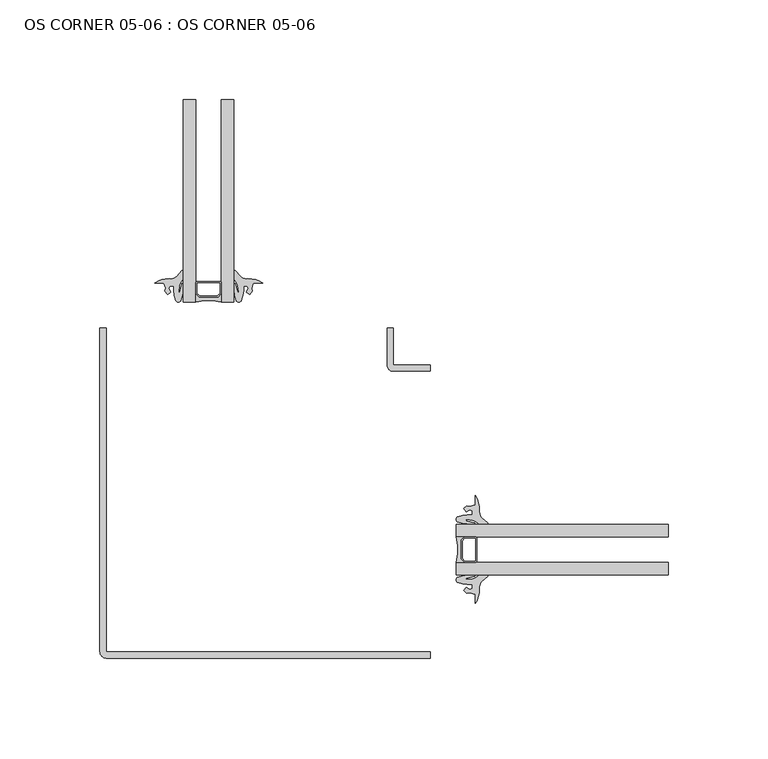
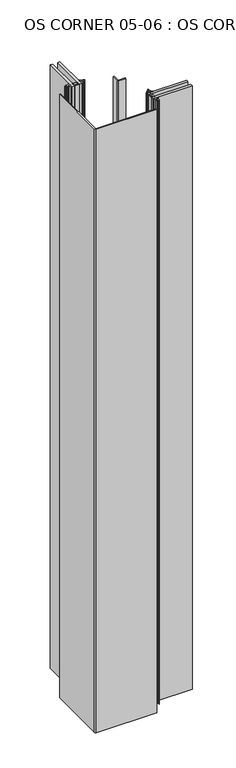
"""IFC4 building model written with IfcOpenShell, lengths in millimetres: plate geometry, OS CORNER 05-06 : OS CORNER 05-06."""

from ifc_helpers import new_model, si_unit, point, frame_2d, origin, origin_with_axes, place, context, project, spatial, polyline, circle_curve, trimmed, segment, composite_curve, outline, extrude, source, transform, mapped, element, save


def os_corner_05_06_os_corner_05_06_669ea06b(model_context):
    return source(origin(), model_context, "Body", "SweptSolid", [
        extrude(outline(composite_curve([segment(trimmed(circle_curve(frame_2d((-146.05, 111.5196104)), 25.796875), [point((-139.7, 136.5227354))], [point((-152.4, 136.5227354))], True, "CARTESIAN"), True, "CONTINUOUS"), segment(polyline([(-152.4, 136.5227354), (-152.4, 140.4871989), (-150.8167865, 138.9039854), (-141.2917865, 138.9039854), (-139.7, 140.4957718), (-139.7, 136.5227354)]), True, "CONTINUOUS")], self_intersect=False)), origin_with_axes(), (0.0, 0.0, 1.0), 1710.2666667),
        extrude(outline(composite_curve([segment(polyline([(-18.2562687, 6.35), (-22.2250187, 6.35)]), True, "CONTINUOUS"), segment(trimmed(circle_curve(frame_2d((-47.2281437, 12.7)), 25.796875), [point((-22.2250187, 6.35))], [point((-22.2250187, 19.05))], True, "CARTESIAN"), True, "CONTINUOUS"), segment(polyline([(-22.2250187, 19.05), (-18.2562687, 19.05), (-19.8437687, 17.4625), (-19.8437687, 7.9375), (-18.2562687, 6.35)]), True, "CONTINUOUS")], self_intersect=False)), origin_with_axes(), (0.0, 0.0, 1.0), 1710.2666667),
        extrude(outline(composite_curve([segment(trimmed(circle_curve(frame_2d((-151.6105365, 146.0477354)), 0.79375), [point((-152.4042865, 146.0477354))], [point((-151.6105365, 146.8414854))], False, "CARTESIAN"), True, "CONTINUOUS"), segment(polyline([(-151.6105365, 146.8414854), (-140.4980365, 146.8414854)]), True, "CONTINUOUS"), segment(trimmed(circle_curve(frame_2d((-140.4980365, 146.0477354)), 0.79375), [point((-140.4980365, 146.8414854))], [point((-139.7042865, 146.0477354))], False, "CARTESIAN"), True, "CONTINUOUS"), segment(polyline([(-139.7042865, 146.0477354), (-139.7042865, 140.4914854), (-141.2917865, 138.9039854), (-150.8167865, 138.9039854), (-152.4042865, 140.4914854), (-152.4042865, 146.0477354)]), True, "CONTINUOUS")], self_intersect=False), holes=[polyline([(-140.4980365, 146.0477354), (-151.6105365, 146.0477354), (-151.6105365, 140.8202674), (-150.4880045, 139.6977354), (-141.6205685, 139.6977354), (-140.4980365, 140.8202674), (-140.4980365, 146.0477354)])]), origin_with_axes(), (0.0, 0.0, 1.0), 1710.2666667),
        extrude(outline(composite_curve([segment(trimmed(circle_curve(frame_2d((-12.7000187, 18.25625)), 0.79375), [point((-12.7000187, 19.05))], [point((-11.9062687, 18.25625))], False, "CARTESIAN"), True, "CONTINUOUS"), segment(polyline([(-11.9062687, 18.25625), (-11.9062687, 7.14375)]), True, "CONTINUOUS"), segment(trimmed(circle_curve(frame_2d((-12.7000187, 7.14375)), 0.79375), [point((-11.9062687, 7.14375))], [point((-12.7000187, 6.35))], False, "CARTESIAN"), True, "CONTINUOUS"), segment(polyline([(-12.7000187, 6.35), (-18.2562687, 6.35), (-19.8437687, 7.9375), (-19.8437687, 17.4625), (-18.2562687, 19.05), (-12.7000187, 19.05)]), True, "CONTINUOUS")], self_intersect=False), holes=[polyline([(-12.7000187, 7.14375), (-12.7000187, 18.25625), (-17.9274867, 18.25625), (-19.0500187, 17.133718), (-19.0500187, 8.266282), (-17.9274867, 7.14375), (-12.7000187, 7.14375)])]), origin_with_axes(), (0.0, 0.0, 1.0), 1710.2666667),
        extrude(outline(polyline([(-152.4, 136.5227354), (-158.75, 136.5227354), (-158.75, 237.7249449), (-152.4, 237.7249449), (-152.4, 136.5227354)])), origin_with_axes(), (0.0, 0.0, 1.0), 1710.2666667),
        extrude(outline(polyline([(-133.35, 136.5227354), (-139.7, 136.5227354), (-139.7, 237.7249449), (-133.35, 237.7249449), (-133.35, 136.5227354)])), origin_with_axes(), (0.0, 0.0, 1.0), 1710.2666667),
        extrude(outline(polyline([(83.7072126, 0.0), (-22.2250187, 0.0), (-22.2250187, 6.35), (83.7072126, 6.35), (83.7072126, 0.0)])), origin_with_axes(), (0.0, 0.0, 1.0), 1710.2666667),
        extrude(outline(polyline([(83.7072126, 19.05), (-22.2250187, 19.05), (-22.2250187, 25.4), (83.7072126, 25.4), (83.7072126, 19.05)])), origin_with_axes(), (0.0, 0.0, 1.0), 1710.2666667),
        extrude(outline(composite_curve([segment(polyline([(-35.2700625, -38.4372519), (-35.2700625, -41.6122519), (-197.1951788, -41.6122519)]), True, "CONTINUOUS"), segment(trimmed(circle_curve(frame_2d((-197.1951788, -38.4372519)), 3.175), [point((-197.1951788, -41.6122519))], [point((-200.3701788, -38.4372519))], False, "CARTESIAN"), True, "CONTINUOUS"), segment(polyline([(-200.3701788, -38.4372519), (-200.3701788, 123.4878666), (-197.1951788, 123.4878666), (-197.1951788, -38.4372519), (-35.2700625, -38.4372519)]), True, "CONTINUOUS")], self_intersect=False)), origin_with_axes(), (0.0, 0.0, 1.0), 1710.2666667),
        extrude(outline(composite_curve([segment(polyline([(-56.8168617, 123.4906148), (-53.6418617, 123.4906148), (-53.6418617, 105.1137148), (-35.2649617, 105.1137148), (-35.2649617, 101.9387148), (-53.6418617, 101.9387148)]), True, "CONTINUOUS"), segment(trimmed(circle_curve(frame_2d((-53.6418617, 105.1137148)), 3.175), [point((-53.6418617, 101.9387148))], [point((-56.8168617, 105.1137148))], False, "CARTESIAN"), True, "CONTINUOUS"), segment(polyline([(-56.8168617, 105.1137148), (-56.8168617, 123.4906148)]), True, "CONTINUOUS")], self_intersect=False)), origin_with_axes(), (0.0, 0.0, 1.0), 1710.2666667),
        extrude(outline(composite_curve([segment(trimmed(circle_curve(frame_2d((-130.9386706, 137.9113635)), 1.3941395), [point((-129.6355397, 137.4159093))], [point((-132.2418015, 137.4159093))], False, "CARTESIAN"), True, "CONTINUOUS"), segment(trimmed(circle_curve(frame_2d((-114.202974, 143.9907124)), 19.1996701), [point((-132.2418015, 137.4159093))], [point((-133.319586, 142.2067622))], False, "CARTESIAN"), True, "CONTINUOUS"), segment(polyline([(-133.319586, 142.2067622), (-133.319586, 145.616601)]), True, "CONTINUOUS"), segment(trimmed(circle_curve(frame_2d((-132.9971007, 145.6049841)), 0.3226944), [point((-133.319586, 145.616601))], [point((-132.6808119, 145.6689613))], False, "CARTESIAN"), True, "CONTINUOUS"), segment(polyline([(-132.6808119, 145.6689613), (-131.5878094, 141.57256)]), True, "CONTINUOUS"), segment(trimmed(circle_curve(frame_2d((-131.3172872, 141.610831)), 0.2732159), [point((-131.5878094, 141.57256))], [point((-131.046765, 141.6491019))], True, "CARTESIAN"), True, "CONTINUOUS"), segment(polyline([(-131.046765, 141.6491019), (-131.4844143, 144.7426698)]), True, "CONTINUOUS"), segment(trimmed(circle_curve(frame_2d((-142.9224305, 141.6407796)), 11.8511576), [point((-131.4844143, 144.7426698))], [point((-131.9262445, 146.0604889))], True, "CARTESIAN"), True, "CONTINUOUS"), segment(polyline([(-131.9262445, 146.0604889), (-132.9042255, 147.5826037)]), True, "CONTINUOUS"), segment(trimmed(circle_curve(frame_2d((-131.2968213, 148.8149074)), 2.0254186), [point((-132.9042255, 147.5826037))], [point((-133.319586, 148.7112566))], False, "CARTESIAN"), True, "CONTINUOUS"), segment(polyline([(-133.319586, 148.7112566), (-133.3597113, 151.9938748)]), True, "CONTINUOUS"), segment(trimmed(circle_curve(frame_2d((-132.9628363, 151.9938748)), 0.396875), [point((-133.3597113, 151.9938748))], [point((-132.7009803, 152.2921049))], False, "CARTESIAN"), True, "CONTINUOUS"), segment(polyline([(-132.7009803, 152.2921049), (-130.2738754, 149.4742132)]), True, "CONTINUOUS"), segment(trimmed(circle_curve(frame_2d((-126.9982928, 152.9360526)), 4.765897), [point((-130.2738754, 149.4742132))], [point((-126.3728022, 148.2113796))], True, "CARTESIAN"), True, "CONTINUOUS"), segment(trimmed(circle_curve(frame_2d((-125.9988717, 136.0208422)), 12.196271), [point((-126.3728022, 148.2113796))], [point((-119.0795198, 146.0643275))], False, "CARTESIAN"), True, "CONTINUOUS"), segment(polyline([(-119.0795198, 146.0643275), (-122.1430145, 146.1852038), (-123.6910595, 146.0613966), (-124.5198454, 143.4574058), (-124.124512, 141.9757584), (-125.5487134, 140.304361), (-127.0967583, 141.6662404), (-126.1679313, 143.2757342), (-126.7252275, 144.6376136), (-128.5882352, 144.6376136), (-128.5882352, 142.2067622)]), True, "CONTINUOUS"), segment(trimmed(circle_curve(frame_2d((-146.0512118, 143.5143572)), 17.5118633), [point((-128.5882352, 142.2067622))], [point((-129.6355397, 137.4159093))], False, "CARTESIAN"), True, "CONTINUOUS")], self_intersect=False)), origin_with_axes(), (0.0, 0.0, 1.0), 1710.2666667),
        extrude(outline(composite_curve([segment(trimmed(circle_curve(frame_2d((-146.0487882, 143.5143572)), 17.5118633), [point((-162.4644603, 137.4159093))], [point((-163.5117648, 142.2067622))], False, "CARTESIAN"), True, "CONTINUOUS"), segment(polyline([(-163.5117648, 142.2067622), (-163.5117648, 144.6376136), (-165.3747725, 144.6376136), (-165.9320687, 143.2757342), (-165.0032417, 141.6662404), (-166.5512866, 140.304361), (-167.975488, 141.9757584), (-167.5801546, 143.4574058), (-168.4089405, 146.0613966), (-169.9569855, 146.1852038), (-173.0204802, 146.0643275)]), True, "CONTINUOUS"), segment(trimmed(circle_curve(frame_2d((-166.1011283, 136.0208422)), 12.196271), [point((-173.0204802, 146.0643275))], [point((-165.7271978, 148.2113796))], False, "CARTESIAN"), True, "CONTINUOUS"), segment(trimmed(circle_curve(frame_2d((-165.1017072, 152.9360526)), 4.765897), [point((-165.7271978, 148.2113796))], [point((-161.8261246, 149.4742132))], True, "CARTESIAN"), True, "CONTINUOUS"), segment(polyline([(-161.8261246, 149.4742132), (-159.3990197, 152.2921049)]), True, "CONTINUOUS"), segment(trimmed(circle_curve(frame_2d((-159.1371637, 151.9938748)), 0.396875), [point((-159.3990197, 152.2921049))], [point((-158.7402887, 151.9938748))], False, "CARTESIAN"), True, "CONTINUOUS"), segment(polyline([(-158.7402887, 151.9938748), (-158.780414, 148.7112566)]), True, "CONTINUOUS"), segment(trimmed(circle_curve(frame_2d((-160.8031787, 148.8149074)), 2.0254186), [point((-158.780414, 148.7112566))], [point((-159.1957745, 147.5826037))], False, "CARTESIAN"), True, "CONTINUOUS"), segment(polyline([(-159.1957745, 147.5826037), (-160.1737555, 146.0604889)]), True, "CONTINUOUS"), segment(trimmed(circle_curve(frame_2d((-149.1775695, 141.6407796)), 11.8511576), [point((-160.1737555, 146.0604889))], [point((-160.6155857, 144.7426698))], True, "CARTESIAN"), True, "CONTINUOUS"), segment(polyline([(-160.6155857, 144.7426698), (-161.053235, 141.6491019)]), True, "CONTINUOUS"), segment(trimmed(circle_curve(frame_2d((-160.7827128, 141.610831)), 0.2732159), [point((-161.053235, 141.6491019))], [point((-160.5121906, 141.57256))], True, "CARTESIAN"), True, "CONTINUOUS"), segment(polyline([(-160.5121906, 141.57256), (-159.4191881, 145.6689613)]), True, "CONTINUOUS"), segment(trimmed(circle_curve(frame_2d((-159.1028993, 145.6049841)), 0.3226944), [point((-159.4191881, 145.6689613))], [point((-158.780414, 145.616601))], False, "CARTESIAN"), True, "CONTINUOUS"), segment(polyline([(-158.780414, 145.616601), (-158.780414, 142.2067622)]), True, "CONTINUOUS"), segment(trimmed(circle_curve(frame_2d((-177.897026, 143.9907124)), 19.1996701), [point((-158.780414, 142.2067622))], [point((-159.8581985, 137.4159093))], False, "CARTESIAN"), True, "CONTINUOUS"), segment(trimmed(circle_curve(frame_2d((-161.1613294, 137.9113635)), 1.3941395), [point((-159.8581985, 137.4159093))], [point((-162.4644603, 137.4159093))], False, "CARTESIAN"), True, "CONTINUOUS")], self_intersect=False)), origin_with_axes(), (0.0, 0.0, 1.0), 1710.2666667),
        extrude(outline(composite_curve([segment(trimmed(circle_curve(frame_2d((-20.8981324, -2.4210407)), 1.3941395), [point((-21.3935865, -3.7241716))], [point((-21.3935865, -1.1179099))], False, "CARTESIAN"), True, "CONTINUOUS"), segment(trimmed(circle_curve(frame_2d((-14.8187834, -19.1567373)), 19.1996701), [point((-21.3935865, -1.1179099))], [point((-16.6027336, -0.0401253))], False, "CARTESIAN"), True, "CONTINUOUS"), segment(polyline([(-16.6027336, -0.0401253), (-13.1928949, -0.0401253)]), True, "CONTINUOUS"), segment(trimmed(circle_curve(frame_2d((-13.2045118, -0.3626106)), 0.3226944), [point((-13.1928949, -0.0401253))], [point((-13.1405345, -0.6788994))], False, "CARTESIAN"), True, "CONTINUOUS"), segment(polyline([(-13.1405345, -0.6788994), (-17.2369359, -1.771902)]), True, "CONTINUOUS"), segment(trimmed(circle_curve(frame_2d((-17.1986649, -2.0424242)), 0.2732159), [point((-17.2369359, -1.771902))], [point((-17.1603939, -2.3129464))], True, "CARTESIAN"), True, "CONTINUOUS"), segment(polyline([(-17.1603939, -2.3129464), (-14.0668261, -1.875297)]), True, "CONTINUOUS"), segment(trimmed(circle_curve(frame_2d((-17.1687162, 9.5627192)), 11.8511576), [point((-14.0668261, -1.875297))], [point((-12.7490069, -1.4334668))], True, "CARTESIAN"), True, "CONTINUOUS"), segment(polyline([(-12.7490069, -1.4334668), (-11.2268921, -0.4554858)]), True, "CONTINUOUS"), segment(trimmed(circle_curve(frame_2d((-9.9945884, -2.0628901)), 2.0254186), [point((-11.2268921, -0.4554858))], [point((-10.0982392, -0.0401253))], False, "CARTESIAN"), True, "CONTINUOUS"), segment(polyline([(-10.0982392, -0.0401253), (-6.815621, 0.0)]), True, "CONTINUOUS"), segment(trimmed(circle_curve(frame_2d((-6.815621, -0.396875)), 0.396875), [point((-6.815621, 0.0))], [point((-6.5173909, -0.658731))], False, "CARTESIAN"), True, "CONTINUOUS"), segment(polyline([(-6.5173909, -0.658731), (-9.3352826, -3.0858359)]), True, "CONTINUOUS"), segment(trimmed(circle_curve(frame_2d((-5.8734432, -6.3614185)), 4.765897), [point((-9.3352826, -3.0858359))], [point((-10.5981162, -6.9869091))], True, "CARTESIAN"), True, "CONTINUOUS"), segment(trimmed(circle_curve(frame_2d((-22.7886537, -7.3608396)), 12.196271), [point((-10.5981162, -6.9869091))], [point((-12.7451684, -14.2801915))], False, "CARTESIAN"), True, "CONTINUOUS"), segment(polyline([(-12.7451684, -14.2801915), (-12.6242921, -11.2166968), (-12.7480993, -9.6686519), (-15.3520901, -8.8398659), (-16.8337374, -9.2351993), (-18.5051348, -7.810998), (-17.1432554, -6.262953), (-15.5337616, -7.19178), (-14.1718822, -6.6344838), (-14.1718822, -4.7714761), (-16.6027336, -4.7714761)]), True, "CONTINUOUS"), segment(trimmed(circle_curve(frame_2d((-15.2951386, 12.6915005)), 17.5118633), [point((-16.6027336, -4.7714761))], [point((-21.3935865, -3.7241716))], False, "CARTESIAN"), True, "CONTINUOUS")], self_intersect=False)), origin_with_axes(), (0.0, 0.0, 1.0), 1710.2666667),
        extrude(outline(composite_curve([segment(trimmed(circle_curve(frame_2d((-15.2951386, 12.7084995)), 17.5118633), [point((-21.3935865, 29.1241716))], [point((-16.6027336, 30.1714761))], False, "CARTESIAN"), True, "CONTINUOUS"), segment(polyline([(-16.6027336, 30.1714761), (-14.1718822, 30.1714761), (-14.1718822, 32.0344838), (-15.5337616, 32.59178), (-17.1432554, 31.662953), (-18.5051348, 33.210998), (-16.8337374, 34.6351993), (-15.3520901, 34.2398659), (-12.7480993, 35.0686519), (-12.6242921, 36.6166968), (-12.7451684, 39.6801915)]), True, "CONTINUOUS"), segment(trimmed(circle_curve(frame_2d((-22.7886537, 32.7608396)), 12.196271), [point((-12.7451684, 39.6801915))], [point((-10.5981162, 32.3869091))], False, "CARTESIAN"), True, "CONTINUOUS"), segment(trimmed(circle_curve(frame_2d((-5.8734432, 31.7614185)), 4.765897), [point((-10.5981162, 32.3869091))], [point((-9.3352826, 28.4858359))], True, "CARTESIAN"), True, "CONTINUOUS"), segment(polyline([(-9.3352826, 28.4858359), (-6.5173909, 26.058731)]), True, "CONTINUOUS"), segment(trimmed(circle_curve(frame_2d((-6.815621, 25.796875)), 0.396875), [point((-6.5173909, 26.058731))], [point((-6.815621, 25.4))], False, "CARTESIAN"), True, "CONTINUOUS"), segment(polyline([(-6.815621, 25.4), (-10.0982392, 25.4401253)]), True, "CONTINUOUS"), segment(trimmed(circle_curve(frame_2d((-9.9945884, 27.4628901)), 2.0254186), [point((-10.0982392, 25.4401253))], [point((-11.2268921, 25.8554858))], False, "CARTESIAN"), True, "CONTINUOUS"), segment(polyline([(-11.2268921, 25.8554858), (-12.7490069, 26.8334668)]), True, "CONTINUOUS"), segment(trimmed(circle_curve(frame_2d((-17.1687162, 15.8372808)), 11.8511576), [point((-12.7490069, 26.8334668))], [point((-14.0668261, 27.275297))], True, "CARTESIAN"), True, "CONTINUOUS"), segment(polyline([(-14.0668261, 27.275297), (-17.1603939, 27.7129464)]), True, "CONTINUOUS"), segment(trimmed(circle_curve(frame_2d((-17.1986649, 27.4424242)), 0.2732159), [point((-17.1603939, 27.7129464))], [point((-17.2369359, 27.171902))], True, "CARTESIAN"), True, "CONTINUOUS"), segment(polyline([(-17.2369359, 27.171902), (-13.1405345, 26.0788994)]), True, "CONTINUOUS"), segment(trimmed(circle_curve(frame_2d((-13.2045118, 25.7626106)), 0.3226944), [point((-13.1405345, 26.0788994))], [point((-13.1928949, 25.4401253))], False, "CARTESIAN"), True, "CONTINUOUS"), segment(polyline([(-13.1928949, 25.4401253), (-16.6027336, 25.4401253)]), True, "CONTINUOUS"), segment(trimmed(circle_curve(frame_2d((-14.8187834, 44.5567373)), 19.1996701), [point((-16.6027336, 25.4401253))], [point((-21.3935865, 26.5179099))], False, "CARTESIAN"), True, "CONTINUOUS"), segment(trimmed(circle_curve(frame_2d((-20.8981324, 27.8210407)), 1.3941395), [point((-21.3935865, 26.5179099))], [point((-21.3935865, 29.1241716))], False, "CARTESIAN"), True, "CONTINUOUS")], self_intersect=False)), origin_with_axes(), (0.0, 0.0, 1.0), 1710.2666667),
    ])


if __name__ == "__main__":
    model = new_model("IFC4")
    model_context = context("Model", 3, world=origin())
    ifc_project = project(units=[si_unit("LENGTHUNIT", "METRE", prefix="MILLI")], contexts=[model_context])
    site = spatial("IfcSite", under=ifc_project)
    building = spatial("IfcBuilding", under=site)
    placement = place(None, origin())
    os_corner_05_06_os_corner_05_06_shape = os_corner_05_06_os_corner_05_06_669ea06b(model_context)
    element("IfcPlate", 1, ObjectType="OS CORNER 05-06 : OS CORNER 05-06", at=placement, inside=building, context=model_context, shape_type="MappedRepresentation", body=[
        mapped(os_corner_05_06_os_corner_05_06_shape, transform((0.0, 0.0, 0.0), x_axis=(1.0, 0.0, 0.0), y_axis=(0.0, 1.0, 0.0), z_axis=(0.0, 0.0, 1.0))),
    ])
    save(model, "model.ifc")
